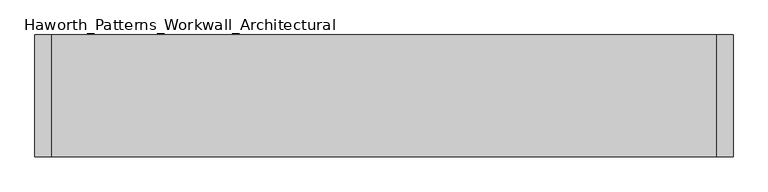
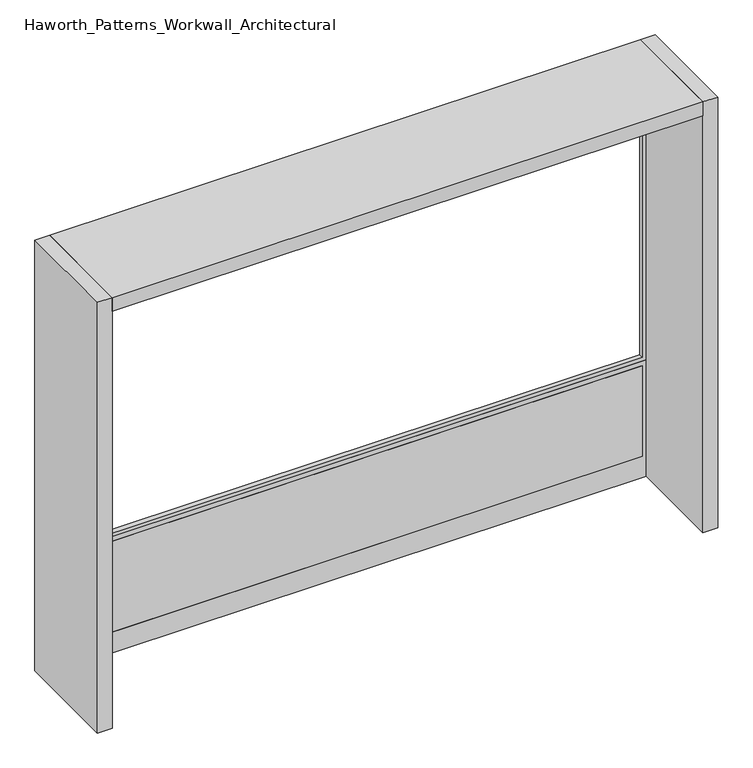
"""IFC4 building model written with IfcOpenShell, lengths in millimetres: furniture geometry, Haworth_Patterns_Workwall_Architectural."""

from ifc_helpers import new_model, si_unit, frame, origin, origin_with_axes, place, context, project, spatial, polyline, outline, extrude, source, transform, mapped, element, save


def haworth_patterns_workwall_architectural_08158d5e(model_context):
    return source(origin(), model_context, "Body", "SweptSolid", [
        extrude(outline(polyline([(2273.3, 914.4), (2273.3, -2133.6), (635.0, -2133.6), (635.0, 914.4), (2273.3, 914.4)]), holes=[polyline([(2254.25, 895.35), (654.05, 895.35), (654.05, -2114.55), (2254.25, -2114.55), (2254.25, 895.35)])]), frame((0.0, 330.2, 0.0), z_axis=(0.0, 1.0, 0.0), x_axis=(0.0, 0.0, 1.0)), (0.0, 0.0, 1.0), 25.4),
        extrude(outline(polyline([(895.35, 330.2), (-2114.55, 330.2), (-2114.55, 355.6), (895.35, 355.6), (895.35, 330.2)])), frame((0.0, 0.0, 114.3), z_axis=(0.0, 0.0, 1.0), x_axis=(1.0, 0.0, 0.0)), (0.0, 0.0, 1.0), 495.3),
        extrude(outline(polyline([(635.0, 914.4), (635.0, -2133.6), (0.0, -2133.6), (0.0, 914.4), (635.0, 914.4)]), holes=[polyline([(609.6, 895.35), (114.3, 895.35), (114.3, -2114.55), (609.6, -2114.55), (609.6, 895.35)])]), frame((0.0, 330.2, 0.0), z_axis=(0.0, 1.0, 0.0), x_axis=(0.0, 0.0, 1.0)), (0.0, 0.0, 1.0), 25.4),
        extrude(outline(polyline([(914.4, -177.8), (-2133.6, -177.8), (-2133.6, 381.0), (914.4, 381.0), (914.4, -177.8)])), frame((0.0, 0.0, 2273.3), z_axis=(0.0, 0.0, 1.0), x_axis=(1.0, 0.0, 0.0)), (0.0, 0.0, 1.0), 76.2),
        extrude(outline(polyline([(990.6, 381.0), (990.6, -177.8), (914.4, -177.8), (914.4, 381.0), (990.6, 381.0)])), origin_with_axes(), (0.0, 0.0, 1.0), 2349.5),
        extrude(outline(polyline([(-2133.6, 381.0), (-2133.6, -177.8), (-2209.8, -177.8), (-2209.8, 381.0), (-2133.6, 381.0)])), origin_with_axes(), (0.0, 0.0, 1.0), 2349.5),
    ])


if __name__ == "__main__":
    model = new_model("IFC4")
    model_context = context("Model", 3, world=origin())
    ifc_project = project(units=[si_unit("LENGTHUNIT", "METRE", prefix="MILLI")], contexts=[model_context])
    site = spatial("IfcSite", under=ifc_project)
    building = spatial("IfcBuilding", under=site)
    placement = place(None, origin())
    haworth_patterns_workwall_architectural_shape = haworth_patterns_workwall_architectural_08158d5e(model_context)
    element("IfcFurniture", 1, ObjectType="Haworth_Patterns_Workwall_Architectural", at=placement, inside=building, context=model_context, shape_type="MappedRepresentation", body=[
        mapped(haworth_patterns_workwall_architectural_shape, transform((0.0, 0.0, 0.0), x_axis=(1.0, 0.0, 0.0), y_axis=(0.0, 1.0, 0.0), z_axis=(0.0, 0.0, 1.0))),
    ])
    save(model, "model.ifc")
